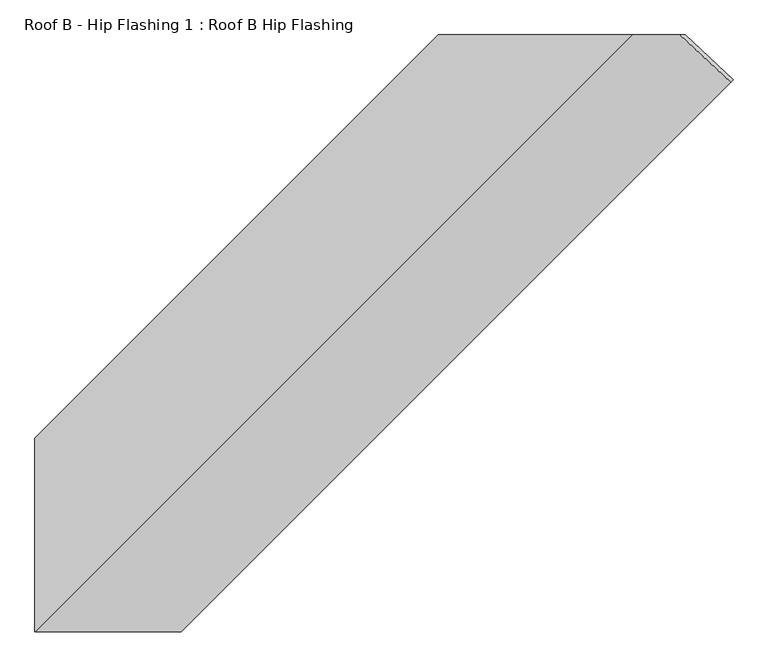
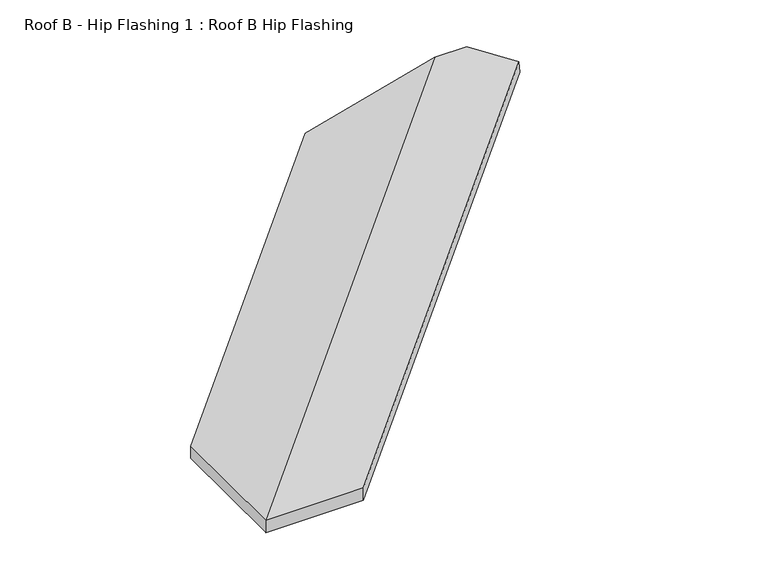
"""IFC4 building model written with IfcOpenShell, lengths in millimetres: proxy geometry, Roof B - Hip Flashing 1 : Roof B Hip Flashing."""

from ifc_helpers import new_model, si_unit, origin, place, context, project, spatial, faceted_brep, source, transform, mapped, element, save


def roof_b_hip_flashing_1_roof_b_hip_flashing_0d624da0(model_context):
    return source(origin(), model_context, "Body", "Brep", [
        faceted_brep([(997.0262667, -3409.3878847, 3631.2855309), (1002.9497394, -3403.464412, 3587.0721286), (891.5330452, -3299.5112211, 3614.9263022), (879.2608136, -3299.5112211, 3660.7268942), (-617.3642623, -4235.9843258, 3244.7598453), (-617.3642623, -4235.9843258, 3289.3530057), (319.1088424, -3299.5112211, 3540.2802178), (319.1088424, -3299.5112211, 3495.6870574), (-617.3642623, -4684.6457411, 3289.3530057), (-616.5125617, -4684.6457411, 3289.5812182), (768.6219583, -3299.5112211, 3660.7268942), (-278.2315896, -4684.6457411, 3289.5812182), (-278.2315896, -4684.6457411, 3243.7806261), (-617.3642623, -4684.6457411, 3243.7806261), (-617.3642623, -4680.9912455, 3244.7598453), (764.1157621, -3299.5112211, 3614.9263022)], [[[0, 1, 2, 3]], [[4, 5, 6, 7]], [[8, 9, 10, 6, 5]], [[11, 0, 3, 10, 9]], [[1, 0, 11, 12]], [[1, 12, 13, 14, 15, 2]], [[14, 4, 7, 15]], [[11, 9, 8, 13, 12]], [[5, 4, 14, 13, 8]], [[3, 2, 15, 7, 6, 10]]]),
    ])


if __name__ == "__main__":
    model = new_model("IFC4")
    model_context = context("Model", 3, world=origin())
    ifc_project = project(units=[si_unit("LENGTHUNIT", "METRE", prefix="MILLI")], contexts=[model_context])
    site = spatial("IfcSite", under=ifc_project)
    building = spatial("IfcBuilding", under=site)
    placement = place(None, origin())
    roof_b_hip_flashing_1_roof_b_hip_flashing_shape = roof_b_hip_flashing_1_roof_b_hip_flashing_0d624da0(model_context)
    element("IfcBuildingElementProxy", 1, Name="Roof B - Hip Flashing 1 : Roof B Hip Flashing", ObjectType="Roof B - Hip Flashing 1 : Roof B Hip Flashing", at=placement, inside=building, context=model_context, shape_type="MappedRepresentation", body=[
        mapped(roof_b_hip_flashing_1_roof_b_hip_flashing_shape, transform((0.0, 0.0, 0.0), x_axis=(1.0, 0.0, 0.0), y_axis=(0.0, 1.0, 0.0), z_axis=(0.0, 0.0, 1.0))),
    ])
    save(model, "model.ifc")
